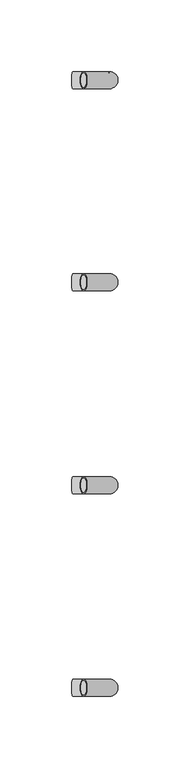
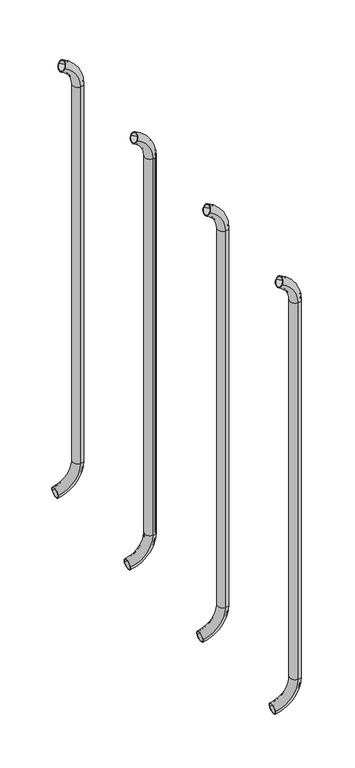
"""IFC4 building model written with IfcOpenShell, lengths in millimetres: beam geometry."""

from ifc_helpers import new_model, si_unit, point, frame, origin, place, context, project, spatial, polyline, circle_curve, ellipse_curve, trimmed, source, transform, mapped, element, save
from ifc_brep_helpers import plane_surface, cylinder_surface, revolved_surface, advanced_brep


def beam_b2cfcb72(model_context):
    return source(origin(), model_context, "Body", "AdvancedBrep", [
        advanced_brep(
        [(1732.6286967, 2408.5765736, 1917.1908893), (1732.6286967, 2396.5765736, 1917.1908893), (1732.6286967, 2407.5765736, 1917.1908893), (1732.6286967, 2397.5765736, 1917.1908893), (1750.7053135, 2407.5765736, 1889.6621238), (1750.7053135, 2397.5765736, 1889.6621238), (1750.7053135, 2408.5765736, 1889.6621238), (1750.7053135, 2396.5765736, 1889.6621238), (1750.7053135, 2397.5765736, 1440.7084898), (1750.7053135, 2407.5765736, 1440.7084898), (1750.7053135, 2396.5765736, 1440.7084898), (1750.7053135, 2408.5765736, 1440.7084898), (1725.0857374, 2408.5765736, 1411.0300146), (1725.0857374, 2396.5765736, 1411.0300146), (1725.0857374, 2407.5765736, 1411.0300146), (1725.0857374, 2397.5765736, 1411.0300146)],
        [
            (0, 1, circle_curve(frame((1732.6286967, 2402.5765736, 1917.1908893), z_axis=(-0.9176255197351176, 0.0, 0.3974461039321624), x_axis=(0.0, -1.0, 0.0)), 6.0)),
            (1, 0, circle_curve(frame((1732.6286967, 2402.5765736, 1917.1908893), z_axis=(-0.9176255197351176, 0.0, 0.3974461039321624), x_axis=(0.0, -1.0, 0.0)), 6.0)),
            (2, 3, circle_curve(frame((1732.6286967, 2402.5765736, 1917.1908893), z_axis=(0.9176255197351176, 0.0, -0.3974461039321624), x_axis=(0.0, -1.0, 0.0)), 5.0)),
            (3, 2, circle_curve(frame((1732.6286967, 2402.5765736, 1917.1908893), z_axis=(0.9176255197351176, 0.0, -0.3974461039321624), x_axis=(0.0, -1.0, 0.0)), 5.0)),
            (4, 2, circle_curve(frame((1720.7053135, 2407.5765736, 1889.6621238), z_axis=(0.0, -1.0, 0.0), x_axis=(0.3974461039321624, 0.0, 0.9176255197351176)), 30.0)),
            (3, 5, circle_curve(frame((1720.7053135, 2397.5765736, 1889.6621238), z_axis=(0.0, 1.0, 0.0), x_axis=(0.3974461039321624, 0.0, 0.9176255197351176)), 30.0)),
            (5, 4, circle_curve(frame((1750.7053135, 2402.5765736, 1889.6621238), z_axis=(0.0, 0.0, -1.0), x_axis=(0.0, -1.0, 0.0)), 5.0)),
            (4, 5, circle_curve(frame((1750.7053135, 2402.5765736, 1889.6621238), z_axis=(0.0, 0.0, -1.0), x_axis=(0.0, -1.0, 0.0)), 5.0)),
            (6, 0, circle_curve(frame((1720.7053135, 2408.5765736, 1889.6621238), z_axis=(0.0, -1.0, 0.0), x_axis=(0.3974461039321624, 0.0, 0.9176255197351176)), 30.0)),
            (1, 7, circle_curve(frame((1720.7053135, 2396.5765736, 1889.6621238), z_axis=(0.0, 1.0, 0.0), x_axis=(0.3974461039321624, 0.0, 0.9176255197351176)), 30.0)),
            (7, 6, circle_curve(frame((1750.7053135, 2402.5765736, 1889.6621238), z_axis=(0.0, 0.0, 1.0), x_axis=(0.0, -1.0, 0.0)), 6.0)),
            (6, 7, circle_curve(frame((1750.7053135, 2402.5765736, 1889.6621238), z_axis=(0.0, 0.0, 1.0), x_axis=(0.0, -1.0, 0.0)), 6.0)),
            (5, 8),
            (8, 9, circle_curve(frame((1750.7053135, 2402.5765736, 1440.7084898), z_axis=(0.0, 0.0, -1.0), x_axis=(0.0, -1.0, 0.0)), 5.0)),
            (9, 4),
            (9, 8, circle_curve(frame((1750.7053135, 2402.5765736, 1440.7084898), z_axis=(0.0, 0.0, -1.0), x_axis=(0.0, -1.0, 0.0)), 5.0)),
            (7, 10),
            (10, 11, circle_curve(frame((1750.7053135, 2402.5765736, 1440.7084898), z_axis=(0.0, 0.0, 1.0), x_axis=(0.0, -1.0, 0.0)), 6.0)),
            (11, 6),
            (11, 10, circle_curve(frame((1750.7053135, 2402.5765736, 1440.7084898), z_axis=(0.0, 0.0, 1.0), x_axis=(0.0, -1.0, 0.0)), 6.0)),
            (12, 13, circle_curve(frame((1725.0857374, 2402.5765736, 1411.0300146), z_axis=(-0.9892825047438852, 0.0, -0.14601412879466394), x_axis=(0.0, -1.0, 0.0)), 6.0)),
            (13, 12, circle_curve(frame((1725.0857374, 2402.5765736, 1411.0300146), z_axis=(-0.9892825047438852, 0.0, -0.14601412879466394), x_axis=(0.0, -1.0, 0.0)), 6.0)),
            (14, 15, circle_curve(frame((1725.0857374, 2402.5765736, 1411.0300146), z_axis=(0.9892825047438852, 0.0, 0.14601412879466394), x_axis=(0.0, -1.0, 0.0)), 5.0)),
            (15, 14, circle_curve(frame((1725.0857374, 2402.5765736, 1411.0300146), z_axis=(0.9892825047438852, 0.0, 0.14601412879466394), x_axis=(0.0, -1.0, 0.0)), 5.0)),
            (14, 9, circle_curve(frame((1720.7053135, 2407.5765736, 1440.7084898), z_axis=(0.0, -1.0, 0.0), x_axis=(1.0, 0.0, 0.0)), 30.0)),
            (8, 15, circle_curve(frame((1720.7053135, 2397.5765736, 1440.7084898), z_axis=(0.0, 1.0, 0.0), x_axis=(1.0, 0.0, 0.0)), 30.0)),
            (12, 11, circle_curve(frame((1720.7053135, 2408.5765736, 1440.7084898), z_axis=(0.0, -1.0, 0.0), x_axis=(1.0, 0.0, 0.0)), 30.0)),
            (10, 13, circle_curve(frame((1720.7053135, 2396.5765736, 1440.7084898), z_axis=(0.0, 1.0, 0.0), x_axis=(1.0, 0.0, 0.0)), 30.0)),
        ],
        [
            plane_surface(frame((1732.6286967, 2402.5765736, 1917.1908893), z_axis=(-0.9176255197351176, 0.0, 0.3974461039321624), x_axis=(0.0, -1.0, 0.0))),
            revolved_surface(trimmed(ellipse_curve(frame((1732.6286967, 2402.5765736, 1917.1908893), z_axis=(0.9176255197351176, 0.0, -0.3974461039321624), x_axis=(0.0, -1.0, 0.0)), 5.0, 5.0), [point((1732.6286967, 2397.5765736, 1917.1908893))], [point((1732.6286967, 2407.5765736, 1917.1908893))], True, "CARTESIAN"), (1720.7053135, 2402.5765736, 1889.6621238), (0.0, 1.0, 0.0)),
            revolved_surface(trimmed(ellipse_curve(frame((1732.6286967, 2402.5765736, 1917.1908893), z_axis=(0.9176255197351176, 0.0, -0.3974461039321624), x_axis=(0.0, -1.0, 0.0)), 5.0, 5.0), [point((1732.6286967, 2407.5765736, 1917.1908893))], [point((1732.6286967, 2397.5765736, 1917.1908893))], True, "CARTESIAN"), (1720.7053135, 2402.5765736, 1889.6621238), (0.0, 1.0, 0.0)),
            revolved_surface(trimmed(ellipse_curve(frame((1732.6286967, 2402.5765736, 1917.1908893), z_axis=(-0.9176255197351176, 0.0, 0.3974461039321624), x_axis=(0.0, -1.0, 0.0)), 6.0, 6.0), [point((1732.6286967, 2396.5765736, 1917.1908893))], [point((1732.6286967, 2408.5765736, 1917.1908893))], True, "CARTESIAN"), (1720.7053135, 2402.5765736, 1889.6621238), (0.0, 1.0, 0.0)),
            revolved_surface(trimmed(ellipse_curve(frame((1732.6286967, 2402.5765736, 1917.1908893), z_axis=(-0.9176255197351176, 0.0, 0.3974461039321624), x_axis=(0.0, -1.0, 0.0)), 6.0, 6.0), [point((1732.6286967, 2408.5765736, 1917.1908893))], [point((1732.6286967, 2396.5765736, 1917.1908893))], True, "CARTESIAN"), (1720.7053135, 2402.5765736, 1889.6621238), (0.0, 1.0, 0.0)),
            revolved_surface(polyline([(1750.7053135, 2397.5765736, 1440.7084898), (1750.7053135, 2397.5765736, 1889.6621238)]), (1750.7053135, 2402.5765736, 1889.6621238), (0.0, 0.0, -1.0)),
            cylinder_surface(frame((1750.7053135, 2402.5765736, 1889.6621238), z_axis=(0.0, 0.0, 1.0), x_axis=(0.0, -1.0, 0.0)), 6.0),
            plane_surface(frame((1725.0857374, 2402.5765736, 1411.0300146), z_axis=(-0.9892825047438852, 0.0, -0.14601412879466397), x_axis=(0.0, -1.0, 0.0))),
            revolved_surface(trimmed(ellipse_curve(frame((1750.7053135, 2402.5765736, 1440.7084898), z_axis=(0.0, 0.0, -1.0), x_axis=(0.0, -1.0, 0.0)), 5.0, 5.0), [point((1750.7053135, 2397.5765736, 1440.7084898))], [point((1750.7053135, 2407.5765736, 1440.7084898))], True, "CARTESIAN"), (1720.7053135, 2402.5765736, 1440.7084898), (0.0, 1.0, 0.0)),
            revolved_surface(trimmed(ellipse_curve(frame((1750.7053135, 2402.5765736, 1440.7084898), z_axis=(0.0, 0.0, -1.0), x_axis=(0.0, -1.0, 0.0)), 5.0, 5.0), [point((1750.7053135, 2407.5765736, 1440.7084898))], [point((1750.7053135, 2397.5765736, 1440.7084898))], True, "CARTESIAN"), (1720.7053135, 2402.5765736, 1440.7084898), (0.0, 1.0, 0.0)),
            revolved_surface(trimmed(ellipse_curve(frame((1750.7053135, 2402.5765736, 1440.7084898), z_axis=(0.0, 0.0, 1.0), x_axis=(0.0, -1.0, 0.0)), 6.0, 6.0), [point((1750.7053135, 2396.5765736, 1440.7084898))], [point((1750.7053135, 2408.5765736, 1440.7084898))], True, "CARTESIAN"), (1720.7053135, 2402.5765736, 1440.7084898), (0.0, 1.0, 0.0)),
            revolved_surface(trimmed(ellipse_curve(frame((1750.7053135, 2402.5765736, 1440.7084898), z_axis=(0.0, 0.0, 1.0), x_axis=(0.0, -1.0, 0.0)), 6.0, 6.0), [point((1750.7053135, 2408.5765736, 1440.7084898))], [point((1750.7053135, 2396.5765736, 1440.7084898))], True, "CARTESIAN"), (1720.7053135, 2402.5765736, 1440.7084898), (0.0, 1.0, 0.0)),
        ],
        [
            (0, [[1, 2], [3, 4]]),
            (1, [[5, -4, 6, 7]]),
            (2, [[-6, -3, -5, 8]]),
            (3, [[9, -2, 10, 11]]),
            (4, [[-10, -1, -9, 12]]),
            (5, [[-7, 13, 14, 15]]),
            (5, [[-8, -15, 16, -13]]),
            (6, [[-11, 17, 18, 19]]),
            (6, [[-12, -19, 20, -17]]),
            (7, [[21, 22], [23, 24]]),
            (8, [[25, -14, 26, -23]]),
            (9, [[-26, -16, -25, -24]]),
            (10, [[27, -18, 28, -21]]),
            (11, [[-28, -20, -27, -22]]),
        ],
    ),
        advanced_brep(
        [(1732.6286967, 2550.1390736, 1917.1908893), (1732.6286967, 2538.1390736, 1917.1908893), (1732.6286967, 2549.1390736, 1917.1908893), (1732.6286967, 2539.1390736, 1917.1908893), (1750.7053135, 2549.1390736, 1889.6621238), (1750.7053135, 2539.1390736, 1889.6621238), (1750.7053135, 2550.1390736, 1889.6621238), (1750.7053135, 2538.1390736, 1889.6621238), (1750.7053135, 2539.1390736, 1440.7084898), (1750.7053135, 2549.1390736, 1440.7084898), (1750.7053135, 2538.1390736, 1440.7084898), (1750.7053135, 2550.1390736, 1440.7084898), (1725.0857374, 2550.1390736, 1411.0300146), (1725.0857374, 2538.1390736, 1411.0300146), (1725.0857374, 2549.1390736, 1411.0300146), (1725.0857374, 2539.1390736, 1411.0300146)],
        [
            (0, 1, circle_curve(frame((1732.6286967, 2544.1390736, 1917.1908893), z_axis=(-0.9176255197351176, 0.0, 0.3974461039321624), x_axis=(0.0, -1.0, 0.0)), 6.0)),
            (1, 0, circle_curve(frame((1732.6286967, 2544.1390736, 1917.1908893), z_axis=(-0.9176255197351176, 0.0, 0.3974461039321624), x_axis=(0.0, -1.0, 0.0)), 6.0)),
            (2, 3, circle_curve(frame((1732.6286967, 2544.1390736, 1917.1908893), z_axis=(0.9176255197351176, 0.0, -0.3974461039321624), x_axis=(0.0, -1.0, 0.0)), 5.0)),
            (3, 2, circle_curve(frame((1732.6286967, 2544.1390736, 1917.1908893), z_axis=(0.9176255197351176, 0.0, -0.3974461039321624), x_axis=(0.0, -1.0, 0.0)), 5.0)),
            (4, 2, circle_curve(frame((1720.7053135, 2549.1390736, 1889.6621238), z_axis=(0.0, -1.0, 0.0), x_axis=(0.3974461039321624, 0.0, 0.9176255197351176)), 30.0)),
            (3, 5, circle_curve(frame((1720.7053135, 2539.1390736, 1889.6621238), z_axis=(0.0, 1.0, 0.0), x_axis=(0.3974461039321624, 0.0, 0.9176255197351176)), 30.0)),
            (5, 4, circle_curve(frame((1750.7053135, 2544.1390736, 1889.6621238), z_axis=(0.0, 0.0, -1.0), x_axis=(0.0, -1.0, 0.0)), 5.0)),
            (4, 5, circle_curve(frame((1750.7053135, 2544.1390736, 1889.6621238), z_axis=(0.0, 0.0, -1.0), x_axis=(0.0, -1.0, 0.0)), 5.0)),
            (6, 0, circle_curve(frame((1720.7053135, 2550.1390736, 1889.6621238), z_axis=(0.0, -1.0, 0.0), x_axis=(0.3974461039321624, 0.0, 0.9176255197351176)), 30.0)),
            (1, 7, circle_curve(frame((1720.7053135, 2538.1390736, 1889.6621238), z_axis=(0.0, 1.0, 0.0), x_axis=(0.3974461039321624, 0.0, 0.9176255197351176)), 30.0)),
            (7, 6, circle_curve(frame((1750.7053135, 2544.1390736, 1889.6621238), z_axis=(0.0, 0.0, 1.0), x_axis=(0.0, -1.0, 0.0)), 6.0)),
            (6, 7, circle_curve(frame((1750.7053135, 2544.1390736, 1889.6621238), z_axis=(0.0, 0.0, 1.0), x_axis=(0.0, -1.0, 0.0)), 6.0)),
            (5, 8),
            (8, 9, circle_curve(frame((1750.7053135, 2544.1390736, 1440.7084898), z_axis=(0.0, 0.0, -1.0), x_axis=(0.0, -1.0, 0.0)), 5.0)),
            (9, 4),
            (9, 8, circle_curve(frame((1750.7053135, 2544.1390736, 1440.7084898), z_axis=(0.0, 0.0, -1.0), x_axis=(0.0, -1.0, 0.0)), 5.0)),
            (7, 10),
            (10, 11, circle_curve(frame((1750.7053135, 2544.1390736, 1440.7084898), z_axis=(0.0, 0.0, 1.0), x_axis=(0.0, -1.0, 0.0)), 6.0)),
            (11, 6),
            (11, 10, circle_curve(frame((1750.7053135, 2544.1390736, 1440.7084898), z_axis=(0.0, 0.0, 1.0), x_axis=(0.0, -1.0, 0.0)), 6.0)),
            (12, 13, circle_curve(frame((1725.0857374, 2544.1390736, 1411.0300146), z_axis=(-0.9892825047438852, 0.0, -0.14601412879466394), x_axis=(0.0, -1.0, 0.0)), 6.0)),
            (13, 12, circle_curve(frame((1725.0857374, 2544.1390736, 1411.0300146), z_axis=(-0.9892825047438852, 0.0, -0.14601412879466394), x_axis=(0.0, -1.0, 0.0)), 6.0)),
            (14, 15, circle_curve(frame((1725.0857374, 2544.1390736, 1411.0300146), z_axis=(0.9892825047438852, 0.0, 0.14601412879466394), x_axis=(0.0, -1.0, 0.0)), 5.0)),
            (15, 14, circle_curve(frame((1725.0857374, 2544.1390736, 1411.0300146), z_axis=(0.9892825047438852, 0.0, 0.14601412879466394), x_axis=(0.0, -1.0, 0.0)), 5.0)),
            (14, 9, circle_curve(frame((1720.7053135, 2549.1390736, 1440.7084898), z_axis=(0.0, -1.0, 0.0), x_axis=(1.0, 0.0, 0.0)), 30.0)),
            (8, 15, circle_curve(frame((1720.7053135, 2539.1390736, 1440.7084898), z_axis=(0.0, 1.0, 0.0), x_axis=(1.0, 0.0, 0.0)), 30.0)),
            (12, 11, circle_curve(frame((1720.7053135, 2550.1390736, 1440.7084898), z_axis=(0.0, -1.0, 0.0), x_axis=(1.0, 0.0, 0.0)), 30.0)),
            (10, 13, circle_curve(frame((1720.7053135, 2538.1390736, 1440.7084898), z_axis=(0.0, 1.0, 0.0), x_axis=(1.0, 0.0, 0.0)), 30.0)),
        ],
        [
            plane_surface(frame((1732.6286967, 2544.1390736, 1917.1908893), z_axis=(-0.9176255197351176, 0.0, 0.3974461039321624), x_axis=(0.0, -1.0, 0.0))),
            revolved_surface(trimmed(ellipse_curve(frame((1732.6286967, 2544.1390736, 1917.1908893), z_axis=(0.9176255197351176, 0.0, -0.3974461039321624), x_axis=(0.0, -1.0, 0.0)), 5.0, 5.0), [point((1732.6286967, 2539.1390736, 1917.1908893))], [point((1732.6286967, 2549.1390736, 1917.1908893))], True, "CARTESIAN"), (1720.7053135, 2544.1390736, 1889.6621238), (0.0, 1.0, 0.0)),
            revolved_surface(trimmed(ellipse_curve(frame((1732.6286967, 2544.1390736, 1917.1908893), z_axis=(0.9176255197351176, 0.0, -0.3974461039321624), x_axis=(0.0, -1.0, 0.0)), 5.0, 5.0), [point((1732.6286967, 2549.1390736, 1917.1908893))], [point((1732.6286967, 2539.1390736, 1917.1908893))], True, "CARTESIAN"), (1720.7053135, 2544.1390736, 1889.6621238), (0.0, 1.0, 0.0)),
            revolved_surface(trimmed(ellipse_curve(frame((1732.6286967, 2544.1390736, 1917.1908893), z_axis=(-0.9176255197351176, 0.0, 0.3974461039321624), x_axis=(0.0, -1.0, 0.0)), 6.0, 6.0), [point((1732.6286967, 2538.1390736, 1917.1908893))], [point((1732.6286967, 2550.1390736, 1917.1908893))], True, "CARTESIAN"), (1720.7053135, 2544.1390736, 1889.6621238), (0.0, 1.0, 0.0)),
            revolved_surface(trimmed(ellipse_curve(frame((1732.6286967, 2544.1390736, 1917.1908893), z_axis=(-0.9176255197351176, 0.0, 0.3974461039321624), x_axis=(0.0, -1.0, 0.0)), 6.0, 6.0), [point((1732.6286967, 2550.1390736, 1917.1908893))], [point((1732.6286967, 2538.1390736, 1917.1908893))], True, "CARTESIAN"), (1720.7053135, 2544.1390736, 1889.6621238), (0.0, 1.0, 0.0)),
            revolved_surface(polyline([(1750.7053135, 2539.1390736, 1440.7084898), (1750.7053135, 2539.1390736, 1889.6621238)]), (1750.7053135, 2544.1390736, 1889.6621238), (0.0, 0.0, -1.0)),
            cylinder_surface(frame((1750.7053135, 2544.1390736, 1889.6621238), z_axis=(0.0, 0.0, 1.0), x_axis=(0.0, -1.0, 0.0)), 6.0),
            plane_surface(frame((1725.0857374, 2544.1390736, 1411.0300146), z_axis=(-0.9892825047438852, 0.0, -0.14601412879466397), x_axis=(0.0, -1.0, 0.0))),
            revolved_surface(trimmed(ellipse_curve(frame((1750.7053135, 2544.1390736, 1440.7084898), z_axis=(0.0, 0.0, -1.0), x_axis=(0.0, -1.0, 0.0)), 5.0, 5.0), [point((1750.7053135, 2539.1390736, 1440.7084898))], [point((1750.7053135, 2549.1390736, 1440.7084898))], True, "CARTESIAN"), (1720.7053135, 2544.1390736, 1440.7084898), (0.0, 1.0, 0.0)),
            revolved_surface(trimmed(ellipse_curve(frame((1750.7053135, 2544.1390736, 1440.7084898), z_axis=(0.0, 0.0, -1.0), x_axis=(0.0, -1.0, 0.0)), 5.0, 5.0), [point((1750.7053135, 2549.1390736, 1440.7084898))], [point((1750.7053135, 2539.1390736, 1440.7084898))], True, "CARTESIAN"), (1720.7053135, 2544.1390736, 1440.7084898), (0.0, 1.0, 0.0)),
            revolved_surface(trimmed(ellipse_curve(frame((1750.7053135, 2544.1390736, 1440.7084898), z_axis=(0.0, 0.0, 1.0), x_axis=(0.0, -1.0, 0.0)), 6.0, 6.0), [point((1750.7053135, 2538.1390736, 1440.7084898))], [point((1750.7053135, 2550.1390736, 1440.7084898))], True, "CARTESIAN"), (1720.7053135, 2544.1390736, 1440.7084898), (0.0, 1.0, 0.0)),
            revolved_surface(trimmed(ellipse_curve(frame((1750.7053135, 2544.1390736, 1440.7084898), z_axis=(0.0, 0.0, 1.0), x_axis=(0.0, -1.0, 0.0)), 6.0, 6.0), [point((1750.7053135, 2550.1390736, 1440.7084898))], [point((1750.7053135, 2538.1390736, 1440.7084898))], True, "CARTESIAN"), (1720.7053135, 2544.1390736, 1440.7084898), (0.0, 1.0, 0.0)),
        ],
        [
            (0, [[1, 2], [3, 4]]),
            (1, [[5, -4, 6, 7]]),
            (2, [[-6, -3, -5, 8]]),
            (3, [[9, -2, 10, 11]]),
            (4, [[-10, -1, -9, 12]]),
            (5, [[-7, 13, 14, 15]]),
            (5, [[-8, -15, 16, -13]]),
            (6, [[-11, 17, 18, 19]]),
            (6, [[-12, -19, 20, -17]]),
            (7, [[21, 22], [23, 24]]),
            (8, [[25, -14, 26, -23]]),
            (9, [[-26, -16, -25, -24]]),
            (10, [[27, -18, 28, -21]]),
            (11, [[-28, -20, -27, -22]]),
        ],
    ),
        advanced_brep(
        [(1732.6286967, 2692.0140736, 1917.1908893), (1732.6286967, 2680.0140736, 1917.1908893), (1732.6286967, 2691.0140736, 1917.1908893), (1732.6286967, 2681.0140736, 1917.1908893), (1750.7053135, 2691.0140736, 1889.6621238), (1750.7053135, 2681.0140736, 1889.6621238), (1750.7053135, 2692.0140736, 1889.6621238), (1750.7053135, 2680.0140736, 1889.6621238), (1750.7053135, 2681.0140736, 1440.7084898), (1750.7053135, 2691.0140736, 1440.7084898), (1750.7053135, 2680.0140736, 1440.7084898), (1750.7053135, 2692.0140736, 1440.7084898), (1725.0857374, 2692.0140736, 1411.0300146), (1725.0857374, 2680.0140736, 1411.0300146), (1725.0857374, 2691.0140736, 1411.0300146), (1725.0857374, 2681.0140736, 1411.0300146)],
        [
            (0, 1, circle_curve(frame((1732.6286967, 2686.0140736, 1917.1908893), z_axis=(-0.9176255197351176, 0.0, 0.3974461039321624), x_axis=(0.0, -1.0, 0.0)), 6.0)),
            (1, 0, circle_curve(frame((1732.6286967, 2686.0140736, 1917.1908893), z_axis=(-0.9176255197351176, 0.0, 0.3974461039321624), x_axis=(0.0, -1.0, 0.0)), 6.0)),
            (2, 3, circle_curve(frame((1732.6286967, 2686.0140736, 1917.1908893), z_axis=(0.9176255197351176, 0.0, -0.3974461039321624), x_axis=(0.0, -1.0, 0.0)), 5.0)),
            (3, 2, circle_curve(frame((1732.6286967, 2686.0140736, 1917.1908893), z_axis=(0.9176255197351176, 0.0, -0.3974461039321624), x_axis=(0.0, -1.0, 0.0)), 5.0)),
            (4, 2, circle_curve(frame((1720.7053135, 2691.0140736, 1889.6621238), z_axis=(0.0, -1.0, 0.0), x_axis=(0.3974461039321624, 0.0, 0.9176255197351176)), 30.0)),
            (3, 5, circle_curve(frame((1720.7053135, 2681.0140736, 1889.6621238), z_axis=(0.0, 1.0, 0.0), x_axis=(0.3974461039321624, 0.0, 0.9176255197351176)), 30.0)),
            (5, 4, circle_curve(frame((1750.7053135, 2686.0140736, 1889.6621238), z_axis=(0.0, 0.0, -1.0), x_axis=(0.0, -1.0, 0.0)), 5.0)),
            (4, 5, circle_curve(frame((1750.7053135, 2686.0140736, 1889.6621238), z_axis=(0.0, 0.0, -1.0), x_axis=(0.0, -1.0, 0.0)), 5.0)),
            (6, 0, circle_curve(frame((1720.7053135, 2692.0140736, 1889.6621238), z_axis=(0.0, -1.0, 0.0), x_axis=(0.3974461039321624, 0.0, 0.9176255197351176)), 30.0)),
            (1, 7, circle_curve(frame((1720.7053135, 2680.0140736, 1889.6621238), z_axis=(0.0, 1.0, 0.0), x_axis=(0.3974461039321624, 0.0, 0.9176255197351176)), 30.0)),
            (7, 6, circle_curve(frame((1750.7053135, 2686.0140736, 1889.6621238), z_axis=(0.0, 0.0, 1.0), x_axis=(0.0, -1.0, 0.0)), 6.0)),
            (6, 7, circle_curve(frame((1750.7053135, 2686.0140736, 1889.6621238), z_axis=(0.0, 0.0, 1.0), x_axis=(0.0, -1.0, 0.0)), 6.0)),
            (5, 8),
            (8, 9, circle_curve(frame((1750.7053135, 2686.0140736, 1440.7084898), z_axis=(0.0, 0.0, -1.0), x_axis=(0.0, -1.0, 0.0)), 5.0)),
            (9, 4),
            (9, 8, circle_curve(frame((1750.7053135, 2686.0140736, 1440.7084898), z_axis=(0.0, 0.0, -1.0), x_axis=(0.0, -1.0, 0.0)), 5.0)),
            (7, 10),
            (10, 11, circle_curve(frame((1750.7053135, 2686.0140736, 1440.7084898), z_axis=(0.0, 0.0, 1.0), x_axis=(0.0, -1.0, 0.0)), 6.0)),
            (11, 6),
            (11, 10, circle_curve(frame((1750.7053135, 2686.0140736, 1440.7084898), z_axis=(0.0, 0.0, 1.0), x_axis=(0.0, -1.0, 0.0)), 6.0)),
            (12, 13, circle_curve(frame((1725.0857374, 2686.0140736, 1411.0300146), z_axis=(-0.9892825047438852, 0.0, -0.14601412879466394), x_axis=(0.0, -1.0, 0.0)), 6.0)),
            (13, 12, circle_curve(frame((1725.0857374, 2686.0140736, 1411.0300146), z_axis=(-0.9892825047438852, 0.0, -0.14601412879466394), x_axis=(0.0, -1.0, 0.0)), 6.0)),
            (14, 15, circle_curve(frame((1725.0857374, 2686.0140736, 1411.0300146), z_axis=(0.9892825047438852, 0.0, 0.14601412879466394), x_axis=(0.0, -1.0, 0.0)), 5.0)),
            (15, 14, circle_curve(frame((1725.0857374, 2686.0140736, 1411.0300146), z_axis=(0.9892825047438852, 0.0, 0.14601412879466394), x_axis=(0.0, -1.0, 0.0)), 5.0)),
            (14, 9, circle_curve(frame((1720.7053135, 2691.0140736, 1440.7084898), z_axis=(0.0, -1.0, 0.0), x_axis=(1.0, 0.0, 0.0)), 30.0)),
            (8, 15, circle_curve(frame((1720.7053135, 2681.0140736, 1440.7084898), z_axis=(0.0, 1.0, 0.0), x_axis=(1.0, 0.0, 0.0)), 30.0)),
            (12, 11, circle_curve(frame((1720.7053135, 2692.0140736, 1440.7084898), z_axis=(0.0, -1.0, 0.0), x_axis=(1.0, 0.0, 0.0)), 30.0)),
            (10, 13, circle_curve(frame((1720.7053135, 2680.0140736, 1440.7084898), z_axis=(0.0, 1.0, 0.0), x_axis=(1.0, 0.0, 0.0)), 30.0)),
        ],
        [
            plane_surface(frame((1732.6286967, 2686.0140736, 1917.1908893), z_axis=(-0.9176255197351176, 0.0, 0.3974461039321624), x_axis=(0.0, -1.0, 0.0))),
            revolved_surface(trimmed(ellipse_curve(frame((1732.6286967, 2686.0140736, 1917.1908893), z_axis=(0.9176255197351176, 0.0, -0.3974461039321624), x_axis=(0.0, -1.0, 0.0)), 5.0, 5.0), [point((1732.6286967, 2681.0140736, 1917.1908893))], [point((1732.6286967, 2691.0140736, 1917.1908893))], True, "CARTESIAN"), (1720.7053135, 2686.0140736, 1889.6621238), (0.0, 1.0, 0.0)),
            revolved_surface(trimmed(ellipse_curve(frame((1732.6286967, 2686.0140736, 1917.1908893), z_axis=(0.9176255197351176, 0.0, -0.3974461039321624), x_axis=(0.0, -1.0, 0.0)), 5.0, 5.0), [point((1732.6286967, 2691.0140736, 1917.1908893))], [point((1732.6286967, 2681.0140736, 1917.1908893))], True, "CARTESIAN"), (1720.7053135, 2686.0140736, 1889.6621238), (0.0, 1.0, 0.0)),
            revolved_surface(trimmed(ellipse_curve(frame((1732.6286967, 2686.0140736, 1917.1908893), z_axis=(-0.9176255197351176, 0.0, 0.3974461039321624), x_axis=(0.0, -1.0, 0.0)), 6.0, 6.0), [point((1732.6286967, 2680.0140736, 1917.1908893))], [point((1732.6286967, 2692.0140736, 1917.1908893))], True, "CARTESIAN"), (1720.7053135, 2686.0140736, 1889.6621238), (0.0, 1.0, 0.0)),
            revolved_surface(trimmed(ellipse_curve(frame((1732.6286967, 2686.0140736, 1917.1908893), z_axis=(-0.9176255197351176, 0.0, 0.3974461039321624), x_axis=(0.0, -1.0, 0.0)), 6.0, 6.0), [point((1732.6286967, 2692.0140736, 1917.1908893))], [point((1732.6286967, 2680.0140736, 1917.1908893))], True, "CARTESIAN"), (1720.7053135, 2686.0140736, 1889.6621238), (0.0, 1.0, 0.0)),
            revolved_surface(polyline([(1750.7053135, 2681.0140736, 1440.7084898), (1750.7053135, 2681.0140736, 1889.6621238)]), (1750.7053135, 2686.0140736, 1889.6621238), (0.0, 0.0, -1.0)),
            cylinder_surface(frame((1750.7053135, 2686.0140736, 1889.6621238), z_axis=(0.0, 0.0, 1.0), x_axis=(0.0, -1.0, 0.0)), 6.0),
            plane_surface(frame((1725.0857374, 2686.0140736, 1411.0300146), z_axis=(-0.9892825047438852, 0.0, -0.14601412879466397), x_axis=(0.0, -1.0, 0.0))),
            revolved_surface(trimmed(ellipse_curve(frame((1750.7053135, 2686.0140736, 1440.7084898), z_axis=(0.0, 0.0, -1.0), x_axis=(0.0, -1.0, 0.0)), 5.0, 5.0), [point((1750.7053135, 2681.0140736, 1440.7084898))], [point((1750.7053135, 2691.0140736, 1440.7084898))], True, "CARTESIAN"), (1720.7053135, 2686.0140736, 1440.7084898), (0.0, 1.0, 0.0)),
            revolved_surface(trimmed(ellipse_curve(frame((1750.7053135, 2686.0140736, 1440.7084898), z_axis=(0.0, 0.0, -1.0), x_axis=(0.0, -1.0, 0.0)), 5.0, 5.0), [point((1750.7053135, 2691.0140736, 1440.7084898))], [point((1750.7053135, 2681.0140736, 1440.7084898))], True, "CARTESIAN"), (1720.7053135, 2686.0140736, 1440.7084898), (0.0, 1.0, 0.0)),
            revolved_surface(trimmed(ellipse_curve(frame((1750.7053135, 2686.0140736, 1440.7084898), z_axis=(0.0, 0.0, 1.0), x_axis=(0.0, -1.0, 0.0)), 6.0, 6.0), [point((1750.7053135, 2680.0140736, 1440.7084898))], [point((1750.7053135, 2692.0140736, 1440.7084898))], True, "CARTESIAN"), (1720.7053135, 2686.0140736, 1440.7084898), (0.0, 1.0, 0.0)),
            revolved_surface(trimmed(ellipse_curve(frame((1750.7053135, 2686.0140736, 1440.7084898), z_axis=(0.0, 0.0, 1.0), x_axis=(0.0, -1.0, 0.0)), 6.0, 6.0), [point((1750.7053135, 2692.0140736, 1440.7084898))], [point((1750.7053135, 2680.0140736, 1440.7084898))], True, "CARTESIAN"), (1720.7053135, 2686.0140736, 1440.7084898), (0.0, 1.0, 0.0)),
        ],
        [
            (0, [[1, 2], [3, 4]]),
            (1, [[5, -4, 6, 7]]),
            (2, [[-6, -3, -5, 8]]),
            (3, [[9, -2, 10, 11]]),
            (4, [[-10, -1, -9, 12]]),
            (5, [[-7, 13, 14, 15]]),
            (5, [[-8, -15, 16, -13]]),
            (6, [[-11, 17, 18, 19]]),
            (6, [[-12, -19, 20, -17]]),
            (7, [[21, 22], [23, 24]]),
            (8, [[25, -14, 26, -23]]),
            (9, [[-26, -16, -25, -24]]),
            (10, [[27, -18, 28, -21]]),
            (11, [[-28, -20, -27, -22]]),
        ],
    ),
        advanced_brep(
        [(1732.6286967, 2833.2640736, 1917.1908893), (1732.6286967, 2821.2640736, 1917.1908893), (1732.6286967, 2832.2640736, 1917.1908893), (1732.6286967, 2822.2640736, 1917.1908893), (1750.7053135, 2832.2640736, 1889.6621238), (1750.7053135, 2822.2640736, 1889.6621238), (1750.7053135, 2833.2640736, 1889.6621238), (1750.7053135, 2821.2640736, 1889.6621238), (1750.7053135, 2822.2640736, 1440.7084898), (1750.7053135, 2832.2640736, 1440.7084898), (1750.7053135, 2821.2640736, 1440.7084898), (1750.7053135, 2833.2640736, 1440.7084898), (1725.0857374, 2833.2640736, 1411.0300146), (1725.0857374, 2821.2640736, 1411.0300146), (1725.0857374, 2832.2640736, 1411.0300146), (1725.0857374, 2822.2640736, 1411.0300146)],
        [
            (0, 1, circle_curve(frame((1732.6286967, 2827.2640736, 1917.1908893), z_axis=(-0.9176255197351176, 0.0, 0.3974461039321624), x_axis=(0.0, -1.0, 0.0)), 6.0)),
            (1, 0, circle_curve(frame((1732.6286967, 2827.2640736, 1917.1908893), z_axis=(-0.9176255197351176, 0.0, 0.3974461039321624), x_axis=(0.0, -1.0, 0.0)), 6.0)),
            (2, 3, circle_curve(frame((1732.6286967, 2827.2640736, 1917.1908893), z_axis=(0.9176255197351176, 0.0, -0.3974461039321624), x_axis=(0.0, -1.0, 0.0)), 5.0)),
            (3, 2, circle_curve(frame((1732.6286967, 2827.2640736, 1917.1908893), z_axis=(0.9176255197351176, 0.0, -0.3974461039321624), x_axis=(0.0, -1.0, 0.0)), 5.0)),
            (4, 2, circle_curve(frame((1720.7053135, 2832.2640736, 1889.6621238), z_axis=(0.0, -1.0, 0.0), x_axis=(0.3974461039321624, 0.0, 0.9176255197351176)), 30.0)),
            (3, 5, circle_curve(frame((1720.7053135, 2822.2640736, 1889.6621238), z_axis=(0.0, 1.0, 0.0), x_axis=(0.3974461039321624, 0.0, 0.9176255197351176)), 30.0)),
            (5, 4, circle_curve(frame((1750.7053135, 2827.2640736, 1889.6621238), z_axis=(0.0, 0.0, -1.0), x_axis=(0.0, -1.0, 0.0)), 5.0)),
            (4, 5, circle_curve(frame((1750.7053135, 2827.2640736, 1889.6621238), z_axis=(0.0, 0.0, -1.0), x_axis=(0.0, -1.0, 0.0)), 5.0)),
            (6, 0, circle_curve(frame((1720.7053135, 2833.2640736, 1889.6621238), z_axis=(0.0, -1.0, 0.0), x_axis=(0.3974461039321624, 0.0, 0.9176255197351176)), 30.0)),
            (1, 7, circle_curve(frame((1720.7053135, 2821.2640736, 1889.6621238), z_axis=(0.0, 1.0, 0.0), x_axis=(0.3974461039321624, 0.0, 0.9176255197351176)), 30.0)),
            (7, 6, circle_curve(frame((1750.7053135, 2827.2640736, 1889.6621238), z_axis=(0.0, 0.0, 1.0), x_axis=(0.0, -1.0, 0.0)), 6.0)),
            (6, 7, circle_curve(frame((1750.7053135, 2827.2640736, 1889.6621238), z_axis=(0.0, 0.0, 1.0), x_axis=(0.0, -1.0, 0.0)), 6.0)),
            (5, 8),
            (8, 9, circle_curve(frame((1750.7053135, 2827.2640736, 1440.7084898), z_axis=(0.0, 0.0, -1.0), x_axis=(0.0, -1.0, 0.0)), 5.0)),
            (9, 4),
            (9, 8, circle_curve(frame((1750.7053135, 2827.2640736, 1440.7084898), z_axis=(0.0, 0.0, -1.0), x_axis=(0.0, -1.0, 0.0)), 5.0)),
            (7, 10),
            (10, 11, circle_curve(frame((1750.7053135, 2827.2640736, 1440.7084898), z_axis=(0.0, 0.0, 1.0), x_axis=(0.0, -1.0, 0.0)), 6.0)),
            (11, 6),
            (11, 10, circle_curve(frame((1750.7053135, 2827.2640736, 1440.7084898), z_axis=(0.0, 0.0, 1.0), x_axis=(0.0, -1.0, 0.0)), 6.0)),
            (12, 13, circle_curve(frame((1725.0857374, 2827.2640736, 1411.0300146), z_axis=(-0.9892825047438852, 0.0, -0.14601412879466394), x_axis=(0.0, -1.0, 0.0)), 6.0)),
            (13, 12, circle_curve(frame((1725.0857374, 2827.2640736, 1411.0300146), z_axis=(-0.9892825047438852, 0.0, -0.14601412879466394), x_axis=(0.0, -1.0, 0.0)), 6.0)),
            (14, 15, circle_curve(frame((1725.0857374, 2827.2640736, 1411.0300146), z_axis=(0.9892825047438852, 0.0, 0.14601412879466394), x_axis=(0.0, -1.0, 0.0)), 5.0)),
            (15, 14, circle_curve(frame((1725.0857374, 2827.2640736, 1411.0300146), z_axis=(0.9892825047438852, 0.0, 0.14601412879466394), x_axis=(0.0, -1.0, 0.0)), 5.0)),
            (14, 9, circle_curve(frame((1720.7053135, 2832.2640736, 1440.7084898), z_axis=(0.0, -1.0, 0.0), x_axis=(1.0, 0.0, 0.0)), 30.0)),
            (8, 15, circle_curve(frame((1720.7053135, 2822.2640736, 1440.7084898), z_axis=(0.0, 1.0, 0.0), x_axis=(1.0, 0.0, 0.0)), 30.0)),
            (12, 11, circle_curve(frame((1720.7053135, 2833.2640736, 1440.7084898), z_axis=(0.0, -1.0, 0.0), x_axis=(1.0, 0.0, 0.0)), 30.0)),
            (10, 13, circle_curve(frame((1720.7053135, 2821.2640736, 1440.7084898), z_axis=(0.0, 1.0, 0.0), x_axis=(1.0, 0.0, 0.0)), 30.0)),
        ],
        [
            plane_surface(frame((1732.6286967, 2827.2640736, 1917.1908893), z_axis=(-0.9176255197351176, 0.0, 0.3974461039321624), x_axis=(0.0, -1.0, 0.0))),
            revolved_surface(trimmed(ellipse_curve(frame((1732.6286967, 2827.2640736, 1917.1908893), z_axis=(0.9176255197351176, 0.0, -0.3974461039321624), x_axis=(0.0, -1.0, 0.0)), 5.0, 5.0), [point((1732.6286967, 2822.2640736, 1917.1908893))], [point((1732.6286967, 2832.2640736, 1917.1908893))], True, "CARTESIAN"), (1720.7053135, 2827.2640736, 1889.6621238), (0.0, 1.0, 0.0)),
            revolved_surface(trimmed(ellipse_curve(frame((1732.6286967, 2827.2640736, 1917.1908893), z_axis=(0.9176255197351176, 0.0, -0.3974461039321624), x_axis=(0.0, -1.0, 0.0)), 5.0, 5.0), [point((1732.6286967, 2832.2640736, 1917.1908893))], [point((1732.6286967, 2822.2640736, 1917.1908893))], True, "CARTESIAN"), (1720.7053135, 2827.2640736, 1889.6621238), (0.0, 1.0, 0.0)),
            revolved_surface(trimmed(ellipse_curve(frame((1732.6286967, 2827.2640736, 1917.1908893), z_axis=(-0.9176255197351176, 0.0, 0.3974461039321624), x_axis=(0.0, -1.0, 0.0)), 6.0, 6.0), [point((1732.6286967, 2821.2640736, 1917.1908893))], [point((1732.6286967, 2833.2640736, 1917.1908893))], True, "CARTESIAN"), (1720.7053135, 2827.2640736, 1889.6621238), (0.0, 1.0, 0.0)),
            revolved_surface(trimmed(ellipse_curve(frame((1732.6286967, 2827.2640736, 1917.1908893), z_axis=(-0.9176255197351176, 0.0, 0.3974461039321624), x_axis=(0.0, -1.0, 0.0)), 6.0, 6.0), [point((1732.6286967, 2833.2640736, 1917.1908893))], [point((1732.6286967, 2821.2640736, 1917.1908893))], True, "CARTESIAN"), (1720.7053135, 2827.2640736, 1889.6621238), (0.0, 1.0, 0.0)),
            revolved_surface(polyline([(1750.7053135, 2822.2640736, 1440.7084898), (1750.7053135, 2822.2640736, 1889.6621238)]), (1750.7053135, 2827.2640736, 1889.6621238), (0.0, 0.0, -1.0)),
            cylinder_surface(frame((1750.7053135, 2827.2640736, 1889.6621238), z_axis=(0.0, 0.0, 1.0), x_axis=(0.0, -1.0, 0.0)), 6.0),
            plane_surface(frame((1725.0857374, 2827.2640736, 1411.0300146), z_axis=(-0.9892825047438852, 0.0, -0.14601412879466397), x_axis=(0.0, -1.0, 0.0))),
            revolved_surface(trimmed(ellipse_curve(frame((1750.7053135, 2827.2640736, 1440.7084898), z_axis=(0.0, 0.0, -1.0), x_axis=(0.0, -1.0, 0.0)), 5.0, 5.0), [point((1750.7053135, 2822.2640736, 1440.7084898))], [point((1750.7053135, 2832.2640736, 1440.7084898))], True, "CARTESIAN"), (1720.7053135, 2827.2640736, 1440.7084898), (0.0, 1.0, 0.0)),
            revolved_surface(trimmed(ellipse_curve(frame((1750.7053135, 2827.2640736, 1440.7084898), z_axis=(0.0, 0.0, -1.0), x_axis=(0.0, -1.0, 0.0)), 5.0, 5.0), [point((1750.7053135, 2832.2640736, 1440.7084898))], [point((1750.7053135, 2822.2640736, 1440.7084898))], True, "CARTESIAN"), (1720.7053135, 2827.2640736, 1440.7084898), (0.0, 1.0, 0.0)),
            revolved_surface(trimmed(ellipse_curve(frame((1750.7053135, 2827.2640736, 1440.7084898), z_axis=(0.0, 0.0, 1.0), x_axis=(0.0, -1.0, 0.0)), 6.0, 6.0), [point((1750.7053135, 2821.2640736, 1440.7084898))], [point((1750.7053135, 2833.2640736, 1440.7084898))], True, "CARTESIAN"), (1720.7053135, 2827.2640736, 1440.7084898), (0.0, 1.0, 0.0)),
            revolved_surface(trimmed(ellipse_curve(frame((1750.7053135, 2827.2640736, 1440.7084898), z_axis=(0.0, 0.0, 1.0), x_axis=(0.0, -1.0, 0.0)), 6.0, 6.0), [point((1750.7053135, 2833.2640736, 1440.7084898))], [point((1750.7053135, 2821.2640736, 1440.7084898))], True, "CARTESIAN"), (1720.7053135, 2827.2640736, 1440.7084898), (0.0, 1.0, 0.0)),
        ],
        [
            (0, [[1, 2], [3, 4]]),
            (1, [[5, -4, 6, 7]]),
            (2, [[-6, -3, -5, 8]]),
            (3, [[9, -2, 10, 11]]),
            (4, [[-10, -1, -9, 12]]),
            (5, [[-7, 13, 14, 15]]),
            (5, [[-8, -15, 16, -13]]),
            (6, [[-11, 17, 18, 19]]),
            (6, [[-12, -19, 20, -17]]),
            (7, [[21, 22], [23, 24]]),
            (8, [[25, -14, 26, -23]]),
            (9, [[-26, -16, -25, -24]]),
            (10, [[27, -18, 28, -21]]),
            (11, [[-28, -20, -27, -22]]),
        ],
    ),
    ])


if __name__ == "__main__":
    model = new_model("IFC4")
    model_context = context("Model", 3, world=origin())
    ifc_project = project(units=[si_unit("LENGTHUNIT", "METRE", prefix="MILLI")], contexts=[model_context])
    site = spatial("IfcSite", under=ifc_project)
    building = spatial("IfcBuilding", under=site)
    placement = place(None, origin())
    beam_shape = beam_b2cfcb72(model_context)
    element("IfcBeam", 1, at=placement, inside=building, context=model_context, shape_type="MappedRepresentation", body=[
        mapped(beam_shape, transform((0.0, 0.0, 0.0), x_axis=(1.0, 0.0, 0.0), y_axis=(0.0, 1.0, 0.0), z_axis=(0.0, 0.0, 1.0))),
    ])
    save(model, "model.ifc")
